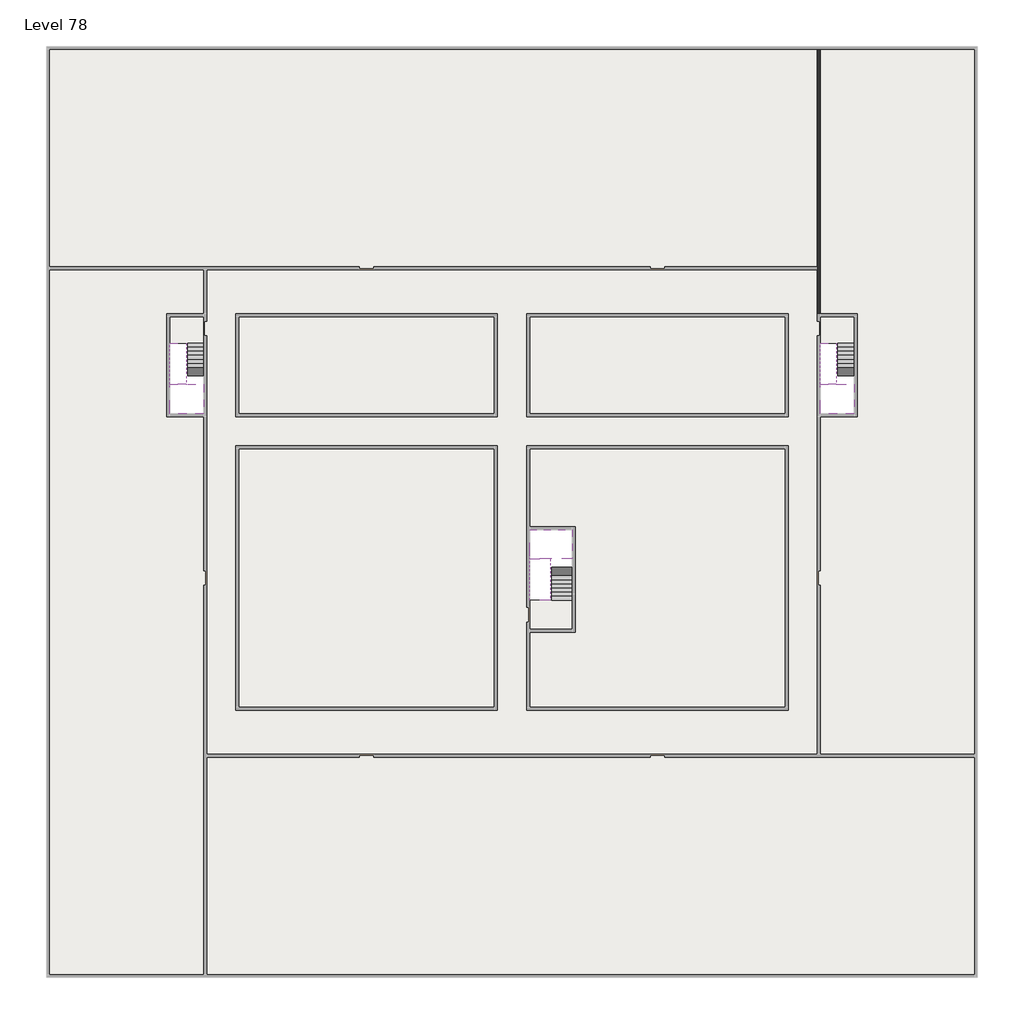
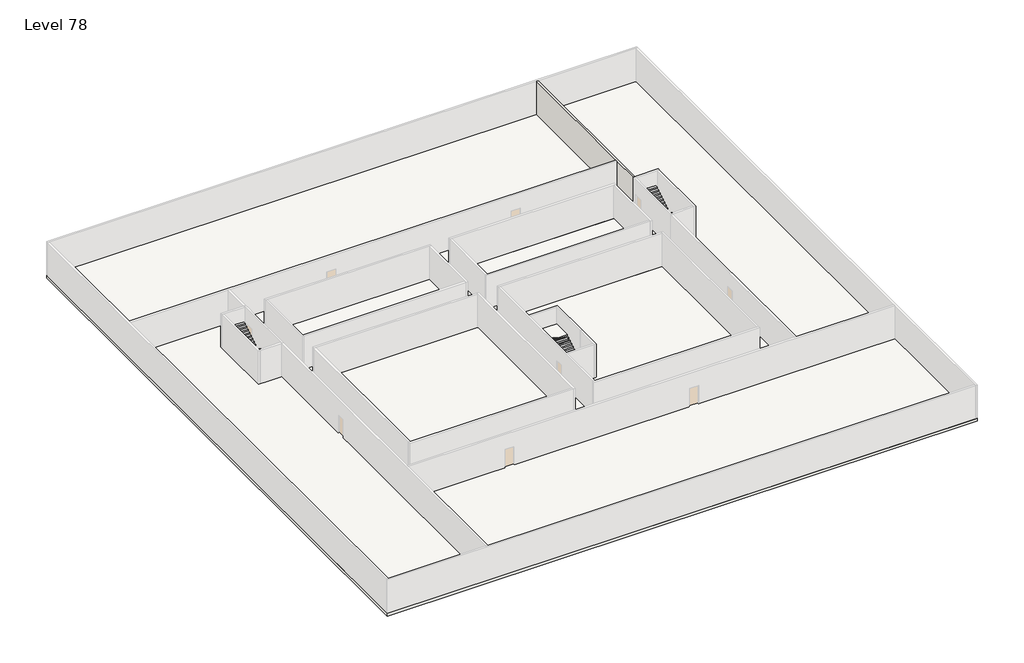
# One storey, part 2 of 2: 6 slabs, 6 stair flights, 1 wall.
"""IFC4 building model written with IfcOpenShell, lengths in millimetres."""

from ifc_helpers import new_model, si_unit, frame, origin, place, context, project, spatial, polyline, outline, extrude, faceted_brep, element, save

model = new_model("IFC4")

# Units and contexts
model_context = context("Model", 3, world=origin())
ifc_project = project(units=[si_unit("LENGTHUNIT", "METRE", prefix="MILLI")], contexts=[model_context])

# Site, building, storey
site = spatial("IfcSite", under=ifc_project)
building = spatial("IfcBuilding", under=site)
storey = spatial("IfcBuildingStorey", under=building, Name="Level 78", Elevation=292600.0)

# Slabs
placement = place(None, origin())
element("IfcSlab", 1, at=placement, inside=storey, context=model_context, shape_type="SweptSolid", body=[
    extrude(outline(polyline([(55890.1058784, -5518.09644), (55890.1058784, -68918.09644), (-7509.8941216, -68918.09644), (-7509.8941216, -5518.09644), (55890.1058784, -5518.09644)]), holes=[polyline([(22990.1058784, -23918.09644), (5590.1058784, -23918.09644), (5590.1058784, -30518.09644), (22990.1058784, -30518.09644), (22990.1058784, -23918.09644)]), polyline([(42990.1058784, -23918.09644), (25390.1058784, -23918.09644), (25390.1058784, -30518.09644), (42990.1058784, -30518.09644), (42990.1058784, -23918.09644)]), polyline([(25390.1058784, -50518.09644), (42790.1058784, -50518.09644), (42790.1058784, -32918.09644), (25390.1058784, -32918.09644), (25390.1058784, -50518.09644)]), polyline([(22990.1058784, -32918.09644), (5590.1058784, -32918.09644), (5590.1058784, -50518.09644), (22990.1058784, -50518.09644), (22990.1058784, -32918.09644)]), polyline([(3190.1058784, -23918.09644), (890.1058784, -23918.09644), (890.1058784, -30518.09644), (3190.1058784, -30518.09644), (3190.1058784, -23918.09644)]), polyline([(47490.1058784, -23918.09644), (45190.1058784, -23918.09644), (45190.1058784, -30518.09644), (47490.1058784, -30518.09644), (47490.1058784, -23918.09644)])]), frame((0.0, 0.0, 292300.0), z_axis=(0.0, 0.0, 1.0), x_axis=(1.0, 0.0, 0.0)), (0.0, 0.0, 1.0), 300.0),
])
element("IfcSlab", 2, at=placement, inside=storey, context=model_context, shape_type="SweptSolid", body=[
    extrude(outline(polyline([(22990.1058784, -23918.09644), (22990.1058784, -30518.09644), (5590.1058784, -30518.09644), (5590.1058784, -23918.09644), (22990.1058784, -23918.09644)])), frame((0.0, 0.0, 292300.0), z_axis=(0.0, 0.0, 1.0), x_axis=(1.0, 0.0, 0.0)), (0.0, 0.0, 1.0), 300.0),
    extrude(outline(polyline([(42990.1058784, -23918.09644), (42990.1058784, -30518.09644), (25390.1058784, -30518.09644), (25390.1058784, -23918.09644), (42990.1058784, -23918.09644)])), frame((0.0, 0.0, 292300.0), z_axis=(0.0, 0.0, 1.0), x_axis=(1.0, 0.0, 0.0)), (0.0, 0.0, 1.0), 300.0),
    extrude(outline(polyline([(22990.1058784, -32918.09644), (22990.1058784, -50518.09644), (5590.1058784, -50518.09644), (5590.1058784, -32918.09644), (22990.1058784, -32918.09644)])), frame((0.0, 0.0, 292300.0), z_axis=(0.0, 0.0, 1.0), x_axis=(1.0, 0.0, 0.0)), (0.0, 0.0, 1.0), 300.0),
    extrude(outline(polyline([(25390.1058784, -38218.09644), (25390.1058784, -32918.09644), (42790.1058784, -32918.09644), (42790.1058784, -50518.09644), (25390.1058784, -50518.09644), (25390.1058784, -45418.09644), (28490.1058784, -45418.09644), (28490.1058784, -38218.09644), (25390.1058784, -38218.09644)])), frame((0.0, 0.0, 292300.0), z_axis=(0.0, 0.0, 1.0), x_axis=(1.0, 0.0, 0.0)), (0.0, 0.0, 1.0), 300.0),
])
element("IfcSlab", 3, at=placement, inside=storey, context=model_context, shape_type="Brep", body=[
    faceted_brep([(3190.1058784, -28518.09644, 294500.0), (2090.1058784, -28518.09644, 294500.0), (1990.1058784, -28518.09644, 294500.0), (890.1058784, -28518.09644, 294500.0), (890.1058784, -28718.7100038, 294500.0), (890.1058784, -30518.09644, 294500.0), (3190.1058784, -30518.09644, 294500.0), (3190.1058784, -28597.4828763, 294500.0), (3190.1058784, -28518.09644, 294327.2727273), (3190.1058784, -28518.09644, 294151.0278478), (2090.1058784, -28518.09644, 294151.0278478), (2090.1058784, -28518.09644, 294200.0), (1990.1058784, -28518.09644, 294200.0), (1990.1058784, -28518.09644, 294323.7551205), (890.1058784, -28518.09644, 294323.7551205), (890.1058784, -28718.7100038, 294200.0), (890.1058784, -30518.09644, 294200.0), (3190.1058784, -30518.09644, 294200.0), (3190.1058784, -28597.4828763, 294200.0), (1990.1058784, -28718.7100038, 294200.0), (2090.1058784, -28597.4828763, 294200.0)], [[[0, 1, 2, 3, 4, 5, 6, 7]], [[1, 0, 8, 9, 10, 11]], [[2, 1, 11, 12, 13]], [[3, 2, 13, 14]], [[3, 14, 15, 16, 5, 4]], [[6, 5, 16, 17]], [[9, 8, 0, 7, 6, 17, 18]], [[19, 12, 11, 20, 18, 17, 16, 15]], [[12, 19, 13]], [[18, 20, 10, 9]], [[20, 11, 10]], [[19, 15, 14, 13]]]),
])
element("IfcSlab", 4, at=placement, inside=storey, context=model_context, shape_type="Brep", body=[
    faceted_brep([(47490.1058784, -28518.09644, 294500.0), (46390.1058784, -28518.09644, 294500.0), (46290.1058784, -28518.09644, 294500.0), (45190.1058784, -28518.09644, 294500.0), (45190.1058784, -28718.7100038, 294500.0), (45190.1058784, -30518.09644, 294500.0), (47490.1058784, -30518.09644, 294500.0), (47490.1058784, -28597.4828763, 294500.0), (47490.1058784, -28518.09644, 294327.2727273), (47490.1058784, -28518.09644, 294151.0278478), (46390.1058784, -28518.09644, 294151.0278478), (46390.1058784, -28518.09644, 294200.0), (46290.1058784, -28518.09644, 294200.0), (46290.1058784, -28518.09644, 294323.7551205), (45190.1058784, -28518.09644, 294323.7551205), (45190.1058784, -28718.7100038, 294200.0), (45190.1058784, -30518.09644, 294200.0), (47490.1058784, -30518.09644, 294200.0), (47490.1058784, -28597.4828763, 294200.0), (46290.1058784, -28718.7100038, 294200.0), (46390.1058784, -28597.4828763, 294200.0)], [[[0, 1, 2, 3, 4, 5, 6, 7]], [[1, 0, 8, 9, 10, 11]], [[2, 1, 11, 12, 13]], [[3, 2, 13, 14]], [[3, 14, 15, 16, 5, 4]], [[6, 5, 16, 17]], [[9, 8, 0, 7, 6, 17, 18]], [[19, 12, 11, 20, 18, 17, 16, 15]], [[12, 19, 13]], [[18, 20, 10, 9]], [[20, 11, 10]], [[19, 15, 14, 13]]]),
])
element("IfcSlab", 5, at=placement, inside=storey, context=model_context, shape_type="Brep", body=[
    faceted_brep([(26890.1058784, -40418.09644, 294500.0), (28290.1058784, -40418.09644, 294500.0), (28290.1058784, -40338.7100038, 294500.0), (28290.1058784, -38418.09644, 294500.0), (25390.1058784, -38418.09644, 294500.0), (25390.1058784, -40217.4828763, 294500.0), (25390.1058784, -40418.09644, 294500.0), (26790.1058784, -40418.09644, 294500.0), (26890.1058784, -40418.09644, 294200.0), (26890.1058784, -40418.09644, 294151.0278478), (28290.1058784, -40418.09644, 294151.0278478), (28290.1058784, -40418.09644, 294327.2727273), (28290.1058784, -40338.7100038, 294200.0), (28290.1058784, -38418.09644, 294200.0), (25390.1058784, -38418.09644, 294200.0), (25390.1058784, -40217.4828763, 294200.0), (25390.1058784, -40418.09644, 294323.7551205), (26790.1058784, -40418.09644, 294323.7551205), (26790.1058784, -40418.09644, 294200.0), (26790.1058784, -40217.4828763, 294200.0), (26890.1058784, -40338.7100038, 294200.0)], [[[0, 1, 2, 3, 4, 5, 6, 7]], [[1, 0, 8, 9, 10, 11]], [[1, 11, 10, 12, 13, 3, 2]], [[4, 3, 13, 14]], [[4, 14, 15, 16, 6, 5]], [[7, 6, 16, 17]], [[0, 7, 17, 18, 8]], [[18, 19, 15, 14, 13, 12, 20, 8]], [[19, 18, 17]], [[20, 12, 10, 9]], [[8, 20, 9]], [[15, 19, 17, 16]]]),
])
element("IfcSlab", 6, at=placement, inside=storey, context=model_context, shape_type="SweptSolid", body=[
    extrude(outline(polyline([(3190.1058784, -23918.09644), (3190.1058784, -25718.09644), (890.1058784, -25718.09644), (890.1058784, -23918.09644), (3190.1058784, -23918.09644)])), frame((0.0, 0.0, 292300.0), z_axis=(0.0, 0.0, 1.0), x_axis=(1.0, 0.0, 0.0)), (0.0, 0.0, 1.0), 300.0),
    extrude(outline(polyline([(47490.1058784, -23918.09644), (47490.1058784, -25718.09644), (45190.1058784, -25718.09644), (45190.1058784, -23918.09644), (47490.1058784, -23918.09644)])), frame((0.0, 0.0, 292300.0), z_axis=(0.0, 0.0, 1.0), x_axis=(1.0, 0.0, 0.0)), (0.0, 0.0, 1.0), 300.0),
    extrude(outline(polyline([(28290.1058784, -43218.09644), (28290.1058784, -45218.09644), (25390.1058784, -45218.09644), (25390.1058784, -43218.09644), (28290.1058784, -43218.09644)])), frame((0.0, 0.0, 292300.0), z_axis=(0.0, 0.0, 1.0), x_axis=(1.0, 0.0, 0.0)), (0.0, 0.0, 1.0), 300.0),
])

# Stair flights
element("IfcStairFlight", 7, at=placement, inside=storey, context=model_context, shape_type="Brep", body=[
    faceted_brep([(3190.1058784, -25998.09644, 292772.7272727), (3190.1058784, -25718.09644, 292772.7272727), (2090.1058784, -25718.09644, 292772.7272727), (2090.1058784, -25998.09644, 292772.7272727), (3190.1058784, -25998.09644, 292600.0), (3190.1058784, -25718.09644, 292600.0), (2090.1058784, -25718.09644, 292600.0), (2090.1058784, -25998.09644, 292600.0), (3190.1058784, -26278.09644, 292945.4545455), (3190.1058784, -25998.09644, 292945.4545455), (2090.1058784, -25998.09644, 292945.4545455), (2090.1058784, -26278.09644, 292945.4545455), (3190.1058784, -26278.09644, 292769.209666), (3190.1058784, -26003.7986657, 292600.0), (2090.1058784, -26003.7986657, 292600.0), (2090.1058784, -26278.09644, 292769.209666), (3190.1058784, -26558.09644, 293118.1818182), (3190.1058784, -26278.09644, 293118.1818182), (2090.1058784, -26278.09644, 293118.1818182), (2090.1058784, -26558.09644, 293118.1818182), (3190.1058784, -26558.09644, 292941.9369387), (2090.1058784, -26558.09644, 292941.9369387), (3190.1058784, -26838.09644, 293290.9090909), (3190.1058784, -26558.09644, 293290.9090909), (2090.1058784, -26558.09644, 293290.9090909), (2090.1058784, -26838.09644, 293290.9090909), (3190.1058784, -26838.09644, 293114.6642114), (2090.1058784, -26838.09644, 293114.6642114), (3190.1058784, -27118.09644, 293463.6363636), (3190.1058784, -26838.09644, 293463.6363636), (2090.1058784, -26838.09644, 293463.6363636), (2090.1058784, -27118.09644, 293463.6363636), (3190.1058784, -27118.09644, 293287.3914841), (2090.1058784, -27118.09644, 293287.3914841), (3190.1058784, -27398.09644, 293636.3636364), (3190.1058784, -27118.09644, 293636.3636364), (2090.1058784, -27118.09644, 293636.3636364), (2090.1058784, -27398.09644, 293636.3636364), (3190.1058784, -27398.09644, 293460.1187569), (2090.1058784, -27398.09644, 293460.1187569), (3190.1058784, -27678.09644, 293809.0909091), (3190.1058784, -27398.09644, 293809.0909091), (2090.1058784, -27398.09644, 293809.0909091), (2090.1058784, -27678.09644, 293809.0909091), (3190.1058784, -27678.09644, 293632.8460296), (2090.1058784, -27678.09644, 293632.8460296), (3190.1058784, -27958.09644, 293981.8181818), (3190.1058784, -27678.09644, 293981.8181818), (2090.1058784, -27678.09644, 293981.8181818), (2090.1058784, -27958.09644, 293981.8181818), (3190.1058784, -27958.09644, 293805.5733023), (2090.1058784, -27958.09644, 293805.5733023), (3190.1058784, -28238.09644, 294154.5454545), (3190.1058784, -27958.09644, 294154.5454545), (2090.1058784, -27958.09644, 294154.5454545), (2090.1058784, -28238.09644, 294154.5454545), (3190.1058784, -28238.09644, 293978.3005751), (2090.1058784, -28238.09644, 293978.3005751), (3190.1058784, -28518.09644, 294327.2727273), (3190.1058784, -28238.09644, 294327.2727273), (2090.1058784, -28238.09644, 294327.2727273), (2090.1058784, -28518.09644, 294327.2727273), (3190.1058784, -28518.09644, 294151.0278478), (2090.1058784, -28518.09644, 294151.0278478), (2090.1058784, -28518.09644, 294200.0)], [[[0, 1, 2, 3]], [[1, 0, 4, 5]], [[2, 1, 5, 6]], [[3, 2, 6, 7]], [[8, 9, 10, 11]], [[4, 0, 9, 8, 12, 13]], [[0, 3, 10, 9]], [[3, 7, 14, 15, 11, 10]], [[16, 17, 18, 19]], [[17, 16, 20, 12, 8]], [[8, 11, 18, 17]], [[19, 18, 11, 15, 21]], [[22, 23, 24, 25]], [[23, 22, 26, 20, 16]], [[16, 19, 24, 23]], [[25, 24, 19, 21, 27]], [[28, 29, 30, 31]], [[29, 28, 32, 26, 22]], [[22, 25, 30, 29]], [[31, 30, 25, 27, 33]], [[34, 35, 36, 37]], [[35, 34, 38, 32, 28]], [[28, 31, 36, 35]], [[37, 36, 31, 33, 39]], [[40, 41, 42, 43]], [[41, 40, 44, 38, 34]], [[34, 37, 42, 41]], [[43, 42, 37, 39, 45]], [[46, 47, 48, 49]], [[47, 46, 50, 44, 40]], [[40, 43, 48, 47]], [[49, 48, 43, 45, 51]], [[52, 53, 54, 55]], [[53, 52, 56, 50, 46]], [[46, 49, 54, 53]], [[55, 54, 49, 51, 57]], [[58, 59, 60, 61]], [[59, 58, 62, 56, 52]], [[52, 55, 60, 59]], [[61, 60, 55, 57, 63, 64]], [[58, 61, 64, 63, 62]], [[5, 4, 13, 14, 7, 6]], [[14, 13, 12, 20, 26, 32, 38, 44, 50, 56, 62, 63, 57, 51, 45, 39, 33, 27, 21, 15]]]),
])
element("IfcStairFlight", 8, at=placement, inside=storey, context=model_context, shape_type="Brep", body=[
    faceted_brep([(890.1058784, -28238.09644, 294672.7272727), (890.1058784, -28518.09644, 294672.7272727), (1990.1058784, -28518.09644, 294672.7272727), (1990.1058784, -28238.09644, 294672.7272727), (890.1058784, -28238.09644, 294496.4823932), (890.1058784, -28518.09644, 294323.7551205), (890.1058784, -28518.09644, 294500.0), (1990.1058784, -28518.09644, 294323.7551205), (1990.1058784, -28238.09644, 294496.4823932), (890.1058784, -27958.09644, 294845.4545455), (890.1058784, -28238.09644, 294845.4545455), (1990.1058784, -28238.09644, 294845.4545455), (1990.1058784, -27958.09644, 294845.4545455), (890.1058784, -27958.09644, 294669.209666), (1990.1058784, -27958.09644, 294669.209666), (890.1058784, -27678.09644, 295018.1818182), (890.1058784, -27958.09644, 295018.1818182), (1990.1058784, -27958.09644, 295018.1818182), (1990.1058784, -27678.09644, 295018.1818182), (890.1058784, -27678.09644, 294841.9369387), (1990.1058784, -27678.09644, 294841.9369387), (890.1058784, -27398.09644, 295190.9090909), (890.1058784, -27678.09644, 295190.9090909), (1990.1058784, -27678.09644, 295190.9090909), (1990.1058784, -27398.09644, 295190.9090909), (890.1058784, -27398.09644, 295014.6642114), (1990.1058784, -27398.09644, 295014.6642114), (890.1058784, -27118.09644, 295363.6363636), (890.1058784, -27398.09644, 295363.6363636), (1990.1058784, -27398.09644, 295363.6363636), (1990.1058784, -27118.09644, 295363.6363636), (890.1058784, -27118.09644, 295187.3914841), (1990.1058784, -27118.09644, 295187.3914841), (890.1058784, -26838.09644, 295536.3636364), (890.1058784, -27118.09644, 295536.3636364), (1990.1058784, -27118.09644, 295536.3636364), (1990.1058784, -26838.09644, 295536.3636364), (890.1058784, -26838.09644, 295360.1187569), (1990.1058784, -26838.09644, 295360.1187569), (890.1058784, -26558.09644, 295709.0909091), (890.1058784, -26838.09644, 295709.0909091), (1990.1058784, -26838.09644, 295709.0909091), (1990.1058784, -26558.09644, 295709.0909091), (890.1058784, -26558.09644, 295532.8460296), (1990.1058784, -26558.09644, 295532.8460296), (890.1058784, -26278.09644, 295881.8181818), (890.1058784, -26558.09644, 295881.8181818), (1990.1058784, -26558.09644, 295881.8181818), (1990.1058784, -26278.09644, 295881.8181818), (890.1058784, -26278.09644, 295705.5733023), (1990.1058784, -26278.09644, 295705.5733023), (890.1058784, -25998.09644, 296054.5454545), (890.1058784, -26278.09644, 296054.5454545), (1990.1058784, -26278.09644, 296054.5454545), (1990.1058784, -25998.09644, 296054.5454545), (890.1058784, -25998.09644, 295878.3005751), (1990.1058784, -25998.09644, 295878.3005751), (890.1058784, -25718.09644, 296227.2727273), (890.1058784, -25998.09644, 296227.2727273), (1990.1058784, -25998.09644, 296227.2727273), (1990.1058784, -25718.09644, 296227.2727273), (890.1058784, -25718.09644, 296051.0278478), (1990.1058784, -25718.09644, 296051.0278478)], [[[0, 1, 2, 3]], [[1, 0, 4, 5, 6]], [[2, 1, 6, 5, 7]], [[3, 2, 7, 8]], [[9, 10, 11, 12]], [[10, 9, 13, 4, 0]], [[11, 10, 0, 3]], [[12, 11, 3, 8, 14]], [[15, 16, 17, 18]], [[16, 15, 19, 13, 9]], [[17, 16, 9, 12]], [[18, 17, 12, 14, 20]], [[21, 22, 23, 24]], [[22, 21, 25, 19, 15]], [[23, 22, 15, 18]], [[24, 23, 18, 20, 26]], [[27, 28, 29, 30]], [[28, 27, 31, 25, 21]], [[29, 28, 21, 24]], [[30, 29, 24, 26, 32]], [[33, 34, 35, 36]], [[34, 33, 37, 31, 27]], [[35, 34, 27, 30]], [[36, 35, 30, 32, 38]], [[39, 40, 41, 42]], [[40, 39, 43, 37, 33]], [[41, 40, 33, 36]], [[42, 41, 36, 38, 44]], [[45, 46, 47, 48]], [[46, 45, 49, 43, 39]], [[47, 46, 39, 42]], [[48, 47, 42, 44, 50]], [[51, 52, 53, 54]], [[52, 51, 55, 49, 45]], [[53, 52, 45, 48]], [[54, 53, 48, 50, 56]], [[57, 58, 59, 60]], [[58, 57, 61, 55, 51]], [[59, 58, 51, 54]], [[60, 59, 54, 56, 62]], [[57, 60, 62, 61]], [[5, 4, 13, 19, 25, 31, 37, 43, 49, 55, 61, 62, 56, 50, 44, 38, 32, 26, 20, 14, 8, 7]]]),
])
element("IfcStairFlight", 9, at=placement, inside=storey, context=model_context, shape_type="Brep", body=[
    faceted_brep([(47490.1058784, -25998.09644, 292772.7272727), (47490.1058784, -25718.09644, 292772.7272727), (46390.1058784, -25718.09644, 292772.7272727), (46390.1058784, -25998.09644, 292772.7272727), (47490.1058784, -25998.09644, 292600.0), (47490.1058784, -25718.09644, 292600.0), (46390.1058784, -25718.09644, 292600.0), (46390.1058784, -25998.09644, 292600.0), (47490.1058784, -26278.09644, 292945.4545455), (47490.1058784, -25998.09644, 292945.4545455), (46390.1058784, -25998.09644, 292945.4545455), (46390.1058784, -26278.09644, 292945.4545455), (47490.1058784, -26278.09644, 292769.209666), (47490.1058784, -26003.7986657, 292600.0), (46390.1058784, -26003.7986657, 292600.0), (46390.1058784, -26278.09644, 292769.209666), (47490.1058784, -26558.09644, 293118.1818182), (47490.1058784, -26278.09644, 293118.1818182), (46390.1058784, -26278.09644, 293118.1818182), (46390.1058784, -26558.09644, 293118.1818182), (47490.1058784, -26558.09644, 292941.9369387), (46390.1058784, -26558.09644, 292941.9369387), (47490.1058784, -26838.09644, 293290.9090909), (47490.1058784, -26558.09644, 293290.9090909), (46390.1058784, -26558.09644, 293290.9090909), (46390.1058784, -26838.09644, 293290.9090909), (47490.1058784, -26838.09644, 293114.6642114), (46390.1058784, -26838.09644, 293114.6642114), (47490.1058784, -27118.09644, 293463.6363636), (47490.1058784, -26838.09644, 293463.6363636), (46390.1058784, -26838.09644, 293463.6363636), (46390.1058784, -27118.09644, 293463.6363636), (47490.1058784, -27118.09644, 293287.3914841), (46390.1058784, -27118.09644, 293287.3914841), (47490.1058784, -27398.09644, 293636.3636364), (47490.1058784, -27118.09644, 293636.3636364), (46390.1058784, -27118.09644, 293636.3636364), (46390.1058784, -27398.09644, 293636.3636364), (47490.1058784, -27398.09644, 293460.1187569), (46390.1058784, -27398.09644, 293460.1187569), (47490.1058784, -27678.09644, 293809.0909091), (47490.1058784, -27398.09644, 293809.0909091), (46390.1058784, -27398.09644, 293809.0909091), (46390.1058784, -27678.09644, 293809.0909091), (47490.1058784, -27678.09644, 293632.8460296), (46390.1058784, -27678.09644, 293632.8460296), (47490.1058784, -27958.09644, 293981.8181818), (47490.1058784, -27678.09644, 293981.8181818), (46390.1058784, -27678.09644, 293981.8181818), (46390.1058784, -27958.09644, 293981.8181818), (47490.1058784, -27958.09644, 293805.5733023), (46390.1058784, -27958.09644, 293805.5733023), (47490.1058784, -28238.09644, 294154.5454545), (47490.1058784, -27958.09644, 294154.5454545), (46390.1058784, -27958.09644, 294154.5454545), (46390.1058784, -28238.09644, 294154.5454545), (47490.1058784, -28238.09644, 293978.3005751), (46390.1058784, -28238.09644, 293978.3005751), (47490.1058784, -28518.09644, 294327.2727273), (47490.1058784, -28238.09644, 294327.2727273), (46390.1058784, -28238.09644, 294327.2727273), (46390.1058784, -28518.09644, 294327.2727273), (47490.1058784, -28518.09644, 294151.0278478), (46390.1058784, -28518.09644, 294151.0278478), (46390.1058784, -28518.09644, 294200.0)], [[[0, 1, 2, 3]], [[1, 0, 4, 5]], [[2, 1, 5, 6]], [[3, 2, 6, 7]], [[8, 9, 10, 11]], [[4, 0, 9, 8, 12, 13]], [[0, 3, 10, 9]], [[3, 7, 14, 15, 11, 10]], [[16, 17, 18, 19]], [[17, 16, 20, 12, 8]], [[8, 11, 18, 17]], [[19, 18, 11, 15, 21]], [[22, 23, 24, 25]], [[23, 22, 26, 20, 16]], [[16, 19, 24, 23]], [[25, 24, 19, 21, 27]], [[28, 29, 30, 31]], [[29, 28, 32, 26, 22]], [[22, 25, 30, 29]], [[31, 30, 25, 27, 33]], [[34, 35, 36, 37]], [[35, 34, 38, 32, 28]], [[28, 31, 36, 35]], [[37, 36, 31, 33, 39]], [[40, 41, 42, 43]], [[41, 40, 44, 38, 34]], [[34, 37, 42, 41]], [[43, 42, 37, 39, 45]], [[46, 47, 48, 49]], [[47, 46, 50, 44, 40]], [[40, 43, 48, 47]], [[49, 48, 43, 45, 51]], [[52, 53, 54, 55]], [[53, 52, 56, 50, 46]], [[46, 49, 54, 53]], [[55, 54, 49, 51, 57]], [[58, 59, 60, 61]], [[59, 58, 62, 56, 52]], [[52, 55, 60, 59]], [[61, 60, 55, 57, 63, 64]], [[58, 61, 64, 63, 62]], [[5, 4, 13, 14, 7, 6]], [[14, 13, 12, 20, 26, 32, 38, 44, 50, 56, 62, 63, 57, 51, 45, 39, 33, 27, 21, 15]]]),
])
element("IfcStairFlight", 10, at=placement, inside=storey, context=model_context, shape_type="Brep", body=[
    faceted_brep([(45190.1058784, -28238.09644, 294672.7272727), (45190.1058784, -28518.09644, 294672.7272727), (46290.1058784, -28518.09644, 294672.7272727), (46290.1058784, -28238.09644, 294672.7272727), (45190.1058784, -28238.09644, 294496.4823932), (45190.1058784, -28518.09644, 294323.7551205), (45190.1058784, -28518.09644, 294500.0), (46290.1058784, -28518.09644, 294323.7551205), (46290.1058784, -28238.09644, 294496.4823932), (45190.1058784, -27958.09644, 294845.4545455), (45190.1058784, -28238.09644, 294845.4545455), (46290.1058784, -28238.09644, 294845.4545455), (46290.1058784, -27958.09644, 294845.4545455), (45190.1058784, -27958.09644, 294669.209666), (46290.1058784, -27958.09644, 294669.209666), (45190.1058784, -27678.09644, 295018.1818182), (45190.1058784, -27958.09644, 295018.1818182), (46290.1058784, -27958.09644, 295018.1818182), (46290.1058784, -27678.09644, 295018.1818182), (45190.1058784, -27678.09644, 294841.9369387), (46290.1058784, -27678.09644, 294841.9369387), (45190.1058784, -27398.09644, 295190.9090909), (45190.1058784, -27678.09644, 295190.9090909), (46290.1058784, -27678.09644, 295190.9090909), (46290.1058784, -27398.09644, 295190.9090909), (45190.1058784, -27398.09644, 295014.6642114), (46290.1058784, -27398.09644, 295014.6642114), (45190.1058784, -27118.09644, 295363.6363636), (45190.1058784, -27398.09644, 295363.6363636), (46290.1058784, -27398.09644, 295363.6363636), (46290.1058784, -27118.09644, 295363.6363636), (45190.1058784, -27118.09644, 295187.3914841), (46290.1058784, -27118.09644, 295187.3914841), (45190.1058784, -26838.09644, 295536.3636364), (45190.1058784, -27118.09644, 295536.3636364), (46290.1058784, -27118.09644, 295536.3636364), (46290.1058784, -26838.09644, 295536.3636364), (45190.1058784, -26838.09644, 295360.1187569), (46290.1058784, -26838.09644, 295360.1187569), (45190.1058784, -26558.09644, 295709.0909091), (45190.1058784, -26838.09644, 295709.0909091), (46290.1058784, -26838.09644, 295709.0909091), (46290.1058784, -26558.09644, 295709.0909091), (45190.1058784, -26558.09644, 295532.8460296), (46290.1058784, -26558.09644, 295532.8460296), (45190.1058784, -26278.09644, 295881.8181818), (45190.1058784, -26558.09644, 295881.8181818), (46290.1058784, -26558.09644, 295881.8181818), (46290.1058784, -26278.09644, 295881.8181818), (45190.1058784, -26278.09644, 295705.5733023), (46290.1058784, -26278.09644, 295705.5733023), (45190.1058784, -25998.09644, 296054.5454545), (45190.1058784, -26278.09644, 296054.5454545), (46290.1058784, -26278.09644, 296054.5454545), (46290.1058784, -25998.09644, 296054.5454545), (45190.1058784, -25998.09644, 295878.3005751), (46290.1058784, -25998.09644, 295878.3005751), (45190.1058784, -25718.09644, 296227.2727273), (45190.1058784, -25998.09644, 296227.2727273), (46290.1058784, -25998.09644, 296227.2727273), (46290.1058784, -25718.09644, 296227.2727273), (45190.1058784, -25718.09644, 296051.0278478), (46290.1058784, -25718.09644, 296051.0278478)], [[[0, 1, 2, 3]], [[1, 0, 4, 5, 6]], [[2, 1, 6, 5, 7]], [[3, 2, 7, 8]], [[9, 10, 11, 12]], [[10, 9, 13, 4, 0]], [[11, 10, 0, 3]], [[12, 11, 3, 8, 14]], [[15, 16, 17, 18]], [[16, 15, 19, 13, 9]], [[17, 16, 9, 12]], [[18, 17, 12, 14, 20]], [[21, 22, 23, 24]], [[22, 21, 25, 19, 15]], [[23, 22, 15, 18]], [[24, 23, 18, 20, 26]], [[27, 28, 29, 30]], [[28, 27, 31, 25, 21]], [[29, 28, 21, 24]], [[30, 29, 24, 26, 32]], [[33, 34, 35, 36]], [[34, 33, 37, 31, 27]], [[35, 34, 27, 30]], [[36, 35, 30, 32, 38]], [[39, 40, 41, 42]], [[40, 39, 43, 37, 33]], [[41, 40, 33, 36]], [[42, 41, 36, 38, 44]], [[45, 46, 47, 48]], [[46, 45, 49, 43, 39]], [[47, 46, 39, 42]], [[48, 47, 42, 44, 50]], [[51, 52, 53, 54]], [[52, 51, 55, 49, 45]], [[53, 52, 45, 48]], [[54, 53, 48, 50, 56]], [[57, 58, 59, 60]], [[58, 57, 61, 55, 51]], [[59, 58, 51, 54]], [[60, 59, 54, 56, 62]], [[57, 60, 62, 61]], [[5, 4, 13, 19, 25, 31, 37, 43, 49, 55, 61, 62, 56, 50, 44, 38, 32, 26, 20, 14, 8, 7]]]),
])
element("IfcStairFlight", 11, at=placement, inside=storey, context=model_context, shape_type="Brep", body=[
    faceted_brep([(26890.1058784, -42938.09644, 292772.7272727), (26890.1058784, -43218.09644, 292772.7272727), (28290.1058784, -43218.09644, 292772.7272727), (28290.1058784, -42938.09644, 292772.7272727), (26890.1058784, -42938.09644, 292600.0), (26890.1058784, -43218.09644, 292600.0), (28290.1058784, -43218.09644, 292600.0), (28290.1058784, -42938.09644, 292600.0), (26890.1058784, -42658.09644, 292945.4545455), (26890.1058784, -42938.09644, 292945.4545455), (28290.1058784, -42938.09644, 292945.4545455), (28290.1058784, -42658.09644, 292945.4545455), (26890.1058784, -42658.09644, 292769.209666), (26890.1058784, -42932.3942143, 292600.0), (28290.1058784, -42932.3942143, 292600.0), (28290.1058784, -42658.09644, 292769.209666), (26890.1058784, -42378.09644, 293118.1818182), (26890.1058784, -42658.09644, 293118.1818182), (28290.1058784, -42658.09644, 293118.1818182), (28290.1058784, -42378.09644, 293118.1818182), (26890.1058784, -42378.09644, 292941.9369387), (28290.1058784, -42378.09644, 292941.9369387), (26890.1058784, -42098.09644, 293290.9090909), (26890.1058784, -42378.09644, 293290.9090909), (28290.1058784, -42378.09644, 293290.9090909), (28290.1058784, -42098.09644, 293290.9090909), (26890.1058784, -42098.09644, 293114.6642114), (28290.1058784, -42098.09644, 293114.6642114), (26890.1058784, -41818.09644, 293463.6363636), (26890.1058784, -42098.09644, 293463.6363636), (28290.1058784, -42098.09644, 293463.6363636), (28290.1058784, -41818.09644, 293463.6363636), (26890.1058784, -41818.09644, 293287.3914841), (28290.1058784, -41818.09644, 293287.3914841), (26890.1058784, -41538.09644, 293636.3636364), (26890.1058784, -41818.09644, 293636.3636364), (28290.1058784, -41818.09644, 293636.3636364), (28290.1058784, -41538.09644, 293636.3636364), (26890.1058784, -41538.09644, 293460.1187569), (28290.1058784, -41538.09644, 293460.1187569), (26890.1058784, -41258.09644, 293809.0909091), (26890.1058784, -41538.09644, 293809.0909091), (28290.1058784, -41538.09644, 293809.0909091), (28290.1058784, -41258.09644, 293809.0909091), (26890.1058784, -41258.09644, 293632.8460296), (28290.1058784, -41258.09644, 293632.8460296), (26890.1058784, -40978.09644, 293981.8181818), (26890.1058784, -41258.09644, 293981.8181818), (28290.1058784, -41258.09644, 293981.8181818), (28290.1058784, -40978.09644, 293981.8181818), (26890.1058784, -40978.09644, 293805.5733023), (28290.1058784, -40978.09644, 293805.5733023), (26890.1058784, -40698.09644, 294154.5454545), (26890.1058784, -40978.09644, 294154.5454545), (28290.1058784, -40978.09644, 294154.5454545), (28290.1058784, -40698.09644, 294154.5454545), (26890.1058784, -40698.09644, 293978.3005751), (28290.1058784, -40698.09644, 293978.3005751), (26890.1058784, -40418.09644, 294327.2727273), (26890.1058784, -40698.09644, 294327.2727273), (28290.1058784, -40698.09644, 294327.2727273), (28290.1058784, -40418.09644, 294327.2727273), (26890.1058784, -40418.09644, 294200.0), (26890.1058784, -40418.09644, 294151.0278478), (28290.1058784, -40418.09644, 294151.0278478)], [[[0, 1, 2, 3]], [[1, 0, 4, 5]], [[2, 1, 5, 6]], [[3, 2, 6, 7]], [[8, 9, 10, 11]], [[4, 0, 9, 8, 12, 13]], [[0, 3, 10, 9]], [[3, 7, 14, 15, 11, 10]], [[16, 17, 18, 19]], [[17, 16, 20, 12, 8]], [[8, 11, 18, 17]], [[19, 18, 11, 15, 21]], [[22, 23, 24, 25]], [[23, 22, 26, 20, 16]], [[16, 19, 24, 23]], [[25, 24, 19, 21, 27]], [[28, 29, 30, 31]], [[29, 28, 32, 26, 22]], [[22, 25, 30, 29]], [[31, 30, 25, 27, 33]], [[34, 35, 36, 37]], [[35, 34, 38, 32, 28]], [[28, 31, 36, 35]], [[37, 36, 31, 33, 39]], [[40, 41, 42, 43]], [[41, 40, 44, 38, 34]], [[34, 37, 42, 41]], [[43, 42, 37, 39, 45]], [[46, 47, 48, 49]], [[47, 46, 50, 44, 40]], [[40, 43, 48, 47]], [[49, 48, 43, 45, 51]], [[52, 53, 54, 55]], [[53, 52, 56, 50, 46]], [[46, 49, 54, 53]], [[55, 54, 49, 51, 57]], [[58, 59, 60, 61]], [[59, 58, 62, 63, 56, 52]], [[52, 55, 60, 59]], [[61, 60, 55, 57, 64]], [[58, 61, 64, 63, 62]], [[5, 4, 13, 14, 7, 6]], [[14, 13, 12, 20, 26, 32, 38, 44, 50, 56, 63, 64, 57, 51, 45, 39, 33, 27, 21, 15]]]),
])
element("IfcStairFlight", 12, at=placement, inside=storey, context=model_context, shape_type="Brep", body=[
    faceted_brep([(26790.1058784, -40698.09644, 294672.7272727), (26790.1058784, -40418.09644, 294672.7272727), (25390.1058784, -40418.09644, 294672.7272727), (25390.1058784, -40698.09644, 294672.7272727), (26790.1058784, -40698.09644, 294496.4823932), (26790.1058784, -40418.09644, 294323.7551205), (25390.1058784, -40418.09644, 294323.7551205), (25390.1058784, -40418.09644, 294500.0), (25390.1058784, -40698.09644, 294496.4823932), (26790.1058784, -40978.09644, 294845.4545455), (26790.1058784, -40698.09644, 294845.4545455), (25390.1058784, -40698.09644, 294845.4545455), (25390.1058784, -40978.09644, 294845.4545455), (26790.1058784, -40978.09644, 294669.209666), (25390.1058784, -40978.09644, 294669.209666), (26790.1058784, -41258.09644, 295018.1818182), (26790.1058784, -40978.09644, 295018.1818182), (25390.1058784, -40978.09644, 295018.1818182), (25390.1058784, -41258.09644, 295018.1818182), (26790.1058784, -41258.09644, 294841.9369387), (25390.1058784, -41258.09644, 294841.9369387), (26790.1058784, -41538.09644, 295190.9090909), (26790.1058784, -41258.09644, 295190.9090909), (25390.1058784, -41258.09644, 295190.9090909), (25390.1058784, -41538.09644, 295190.9090909), (26790.1058784, -41538.09644, 295014.6642114), (25390.1058784, -41538.09644, 295014.6642114), (26790.1058784, -41818.09644, 295363.6363636), (26790.1058784, -41538.09644, 295363.6363636), (25390.1058784, -41538.09644, 295363.6363636), (25390.1058784, -41818.09644, 295363.6363636), (26790.1058784, -41818.09644, 295187.3914841), (25390.1058784, -41818.09644, 295187.3914841), (26790.1058784, -42098.09644, 295536.3636364), (26790.1058784, -41818.09644, 295536.3636364), (25390.1058784, -41818.09644, 295536.3636364), (25390.1058784, -42098.09644, 295536.3636364), (26790.1058784, -42098.09644, 295360.1187569), (25390.1058784, -42098.09644, 295360.1187569), (26790.1058784, -42378.09644, 295709.0909091), (26790.1058784, -42098.09644, 295709.0909091), (25390.1058784, -42098.09644, 295709.0909091), (25390.1058784, -42378.09644, 295709.0909091), (26790.1058784, -42378.09644, 295532.8460296), (25390.1058784, -42378.09644, 295532.8460296), (26790.1058784, -42658.09644, 295881.8181818), (26790.1058784, -42378.09644, 295881.8181818), (25390.1058784, -42378.09644, 295881.8181818), (25390.1058784, -42658.09644, 295881.8181818), (26790.1058784, -42658.09644, 295705.5733023), (25390.1058784, -42658.09644, 295705.5733023), (26790.1058784, -42938.09644, 296054.5454545), (26790.1058784, -42658.09644, 296054.5454545), (25390.1058784, -42658.09644, 296054.5454545), (25390.1058784, -42938.09644, 296054.5454545), (26790.1058784, -42938.09644, 295878.3005751), (25390.1058784, -42938.09644, 295878.3005751), (26790.1058784, -43218.09644, 296227.2727273), (26790.1058784, -42938.09644, 296227.2727273), (25390.1058784, -42938.09644, 296227.2727273), (25390.1058784, -43218.09644, 296227.2727273), (26790.1058784, -43218.09644, 296051.0278478), (25390.1058784, -43218.09644, 296051.0278478)], [[[0, 1, 2, 3]], [[1, 0, 4, 5]], [[2, 1, 5, 6, 7]], [[3, 2, 7, 6, 8]], [[9, 10, 11, 12]], [[10, 9, 13, 4, 0]], [[11, 10, 0, 3]], [[12, 11, 3, 8, 14]], [[15, 16, 17, 18]], [[16, 15, 19, 13, 9]], [[17, 16, 9, 12]], [[18, 17, 12, 14, 20]], [[21, 22, 23, 24]], [[22, 21, 25, 19, 15]], [[23, 22, 15, 18]], [[24, 23, 18, 20, 26]], [[27, 28, 29, 30]], [[28, 27, 31, 25, 21]], [[29, 28, 21, 24]], [[30, 29, 24, 26, 32]], [[33, 34, 35, 36]], [[34, 33, 37, 31, 27]], [[35, 34, 27, 30]], [[36, 35, 30, 32, 38]], [[39, 40, 41, 42]], [[40, 39, 43, 37, 33]], [[41, 40, 33, 36]], [[42, 41, 36, 38, 44]], [[45, 46, 47, 48]], [[46, 45, 49, 43, 39]], [[47, 46, 39, 42]], [[48, 47, 42, 44, 50]], [[51, 52, 53, 54]], [[52, 51, 55, 49, 45]], [[53, 52, 45, 48]], [[54, 53, 48, 50, 56]], [[57, 58, 59, 60]], [[58, 57, 61, 55, 51]], [[59, 58, 51, 54]], [[60, 59, 54, 56, 62]], [[57, 60, 62, 61]], [[5, 4, 13, 19, 25, 31, 37, 43, 49, 55, 61, 62, 56, 50, 44, 38, 32, 26, 20, 14, 8, 6]]]),
])

# Wall
element("IfcWall", 13, at=placement, inside=storey, context=model_context, shape_type="Brep", body=[
    faceted_brep([(45190.1058784, -23718.09644, 292600.0), (45190.1058784, -5718.09644, 292600.0), (45190.1058784, -5718.09644, 296400.0), (45190.1058784, -23718.09644, 296400.0), (44990.1058784, -23718.09644, 292600.0), (44990.1058784, -23718.09644, 296400.0), (44990.1058784, -20718.09644, 296400.0), (44990.1058784, -20518.09644, 296400.0), (44990.1058784, -5718.09644, 296400.0), (44990.1058784, -5718.09644, 292600.0), (44990.1058784, -20518.09644, 292600.0), (44990.1058784, -20718.09644, 292600.0)], [[[0, 1, 2, 3]], [[4, 5, 6, 7, 8, 9, 10, 11]], [[1, 0, 4, 11, 10, 9]], [[3, 2, 8, 7, 6, 5]], [[2, 1, 9, 8]], [[0, 3, 5, 4]]]),
])

save(model, "model.ifc")
